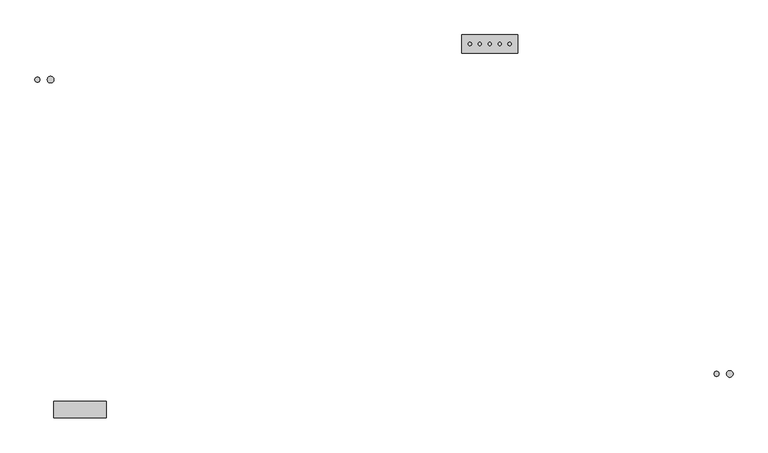
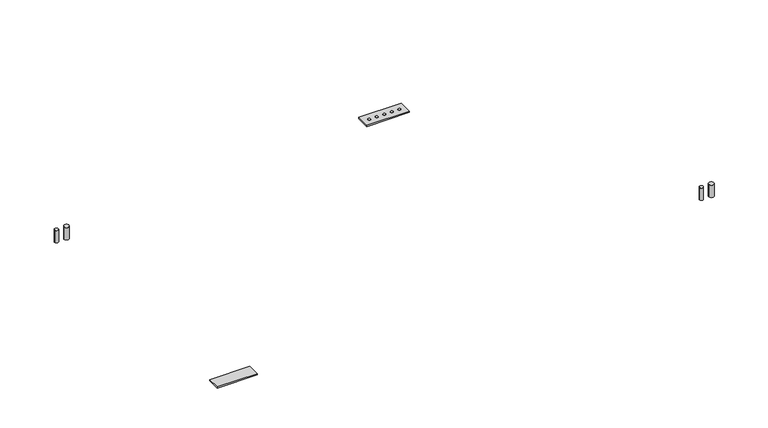
"""IFC4 building model written with IfcOpenShell, lengths in millimetres: proxy geometry."""

from ifc_helpers import new_model, si_unit, point, frame, frame_2d, origin, place, context, project, spatial, polyline, circle_curve, trimmed, segment, composite_curve, outline, extrude, source, transform, mapped, element, save


def mechanical_equipment_c56e0fdf(model_context):
    return source(origin(), model_context, "Body", "SweptSolid", [
        extrude(outline(composite_curve([segment(trimmed(circle_curve(frame_2d((242.6911047, 192.5203719)), 12.7), [point((229.9911047, 192.5203719))], [point((255.3911047, 192.5203719))], False, "CARTESIAN"), True, "CONTINUOUS"), segment(trimmed(circle_curve(frame_2d((242.6911047, 192.5203719)), 12.7), [point((255.3911047, 192.5203719))], [point((229.9911047, 192.5203719))], False, "CARTESIAN"), True, "CONTINUOUS")], self_intersect=False)), frame((0.0, 0.0, 61.2666507), z_axis=(0.0, 0.0, 1.0), x_axis=(1.0, 0.0, 0.0)), (0.0, 0.0, 1.0), 65.7333493),
        extrude(outline(composite_curve([segment(trimmed(circle_curve(frame_2d((191.8911047, 192.5203719)), 9.525), [point((182.3661047, 192.5203719))], [point((201.4161047, 192.5203719))], False, "CARTESIAN"), True, "CONTINUOUS"), segment(trimmed(circle_curve(frame_2d((191.8911047, 192.5203719)), 9.525), [point((201.4161047, 192.5203719))], [point((182.3661047, 192.5203719))], False, "CARTESIAN"), True, "CONTINUOUS")], self_intersect=False)), frame((0.0, 0.0, 61.2666507), z_axis=(0.0, 0.0, 1.0), x_axis=(1.0, 0.0, 0.0)), (0.0, 0.0, 1.0), 65.7333493),
        extrude(outline(composite_curve([segment(trimmed(circle_curve(frame_2d((1854.1027684, 329.7424825)), 6.35), [point((1847.7527684, 329.7424825))], [point((1860.4527684, 329.7424825))], False, "CARTESIAN"), True, "CONTINUOUS"), segment(trimmed(circle_curve(frame_2d((1854.1027684, 329.7424825)), 6.35), [point((1860.4527684, 329.7424825))], [point((1847.7527684, 329.7424825))], False, "CARTESIAN"), True, "CONTINUOUS")], self_intersect=False)), frame((0.0, 0.0, 44.45), z_axis=(0.0, 0.0, 1.0), x_axis=(1.0, 0.0, 0.0)), (0.0, 0.0, 1.0), 6.35),
        extrude(outline(composite_curve([segment(trimmed(circle_curve(frame_2d((1892.2027684, 329.7424825)), 6.35), [point((1885.8527684, 329.7424825))], [point((1898.5527684, 329.7424825))], False, "CARTESIAN"), True, "CONTINUOUS"), segment(trimmed(circle_curve(frame_2d((1892.2027684, 329.7424825)), 6.35), [point((1898.5527684, 329.7424825))], [point((1885.8527684, 329.7424825))], False, "CARTESIAN"), True, "CONTINUOUS")], self_intersect=False)), frame((0.0, 0.0, 44.45), z_axis=(0.0, 0.0, 1.0), x_axis=(1.0, 0.0, 0.0)), (0.0, 0.0, 1.0), 6.35),
        extrude(outline(composite_curve([segment(trimmed(circle_curve(frame_2d((1930.3027684, 329.7424825)), 6.35), [point((1923.9527684, 329.7424825))], [point((1936.6527684, 329.7424825))], False, "CARTESIAN"), True, "CONTINUOUS"), segment(trimmed(circle_curve(frame_2d((1930.3027684, 329.7424825)), 6.35), [point((1936.6527684, 329.7424825))], [point((1923.9527684, 329.7424825))], False, "CARTESIAN"), True, "CONTINUOUS")], self_intersect=False)), frame((0.0, 0.0, 44.45), z_axis=(0.0, 0.0, 1.0), x_axis=(1.0, 0.0, 0.0)), (0.0, 0.0, 1.0), 6.35),
        extrude(outline(composite_curve([segment(trimmed(circle_curve(frame_2d((1968.4027684, 329.7424825)), 6.35), [point((1962.0527684, 329.7424825))], [point((1974.7527684, 329.7424825))], False, "CARTESIAN"), True, "CONTINUOUS"), segment(trimmed(circle_curve(frame_2d((1968.4027684, 329.7424825)), 6.35), [point((1974.7527684, 329.7424825))], [point((1962.0527684, 329.7424825))], False, "CARTESIAN"), True, "CONTINUOUS")], self_intersect=False)), frame((0.0, 0.0, 44.45), z_axis=(0.0, 0.0, 1.0), x_axis=(1.0, 0.0, 0.0)), (0.0, 0.0, 1.0), 6.35),
        extrude(outline(composite_curve([segment(trimmed(circle_curve(frame_2d((2006.5027684, 329.7424825)), 6.35), [point((2000.1527684, 329.7424825))], [point((2012.8527684, 329.7424825))], False, "CARTESIAN"), True, "CONTINUOUS"), segment(trimmed(circle_curve(frame_2d((2006.5027684, 329.7424825)), 6.35), [point((2012.8527684, 329.7424825))], [point((2000.1527684, 329.7424825))], False, "CARTESIAN"), True, "CONTINUOUS")], self_intersect=False)), frame((0.0, 0.0, 44.45), z_axis=(0.0, 0.0, 1.0), x_axis=(1.0, 0.0, 0.0)), (0.0, 0.0, 1.0), 6.35),
        extrude(outline(polyline([(1822.3527684, 364.6674825), (2037.5379173, 364.6674825), (2037.5379173, 294.8174825), (1822.3527684, 294.8174825), (1822.3527684, 364.6674825)])), frame((0.0, 0.0, 44.45), z_axis=(0.0, 0.0, 1.0), x_axis=(1.0, 0.0, 0.0)), (0.0, 0.0, 1.0), 6.35),
        extrude(outline(polyline([(457.2, -1044.3321273), (457.2, -1108.244384), (254.0, -1108.244384), (254.0, -1044.3321273), (457.2, -1044.3321273)])), frame((0.0, 0.0, 44.45), z_axis=(0.0, 0.0, 1.0), x_axis=(1.0, 0.0, 0.0)), (0.0, 0.0, 1.0), 6.35),
        extrude(outline(composite_curve([segment(trimmed(circle_curve(frame_2d((2852.7375, -939.5571273)), 12.7), [point((2840.0375, -939.5571273))], [point((2865.4375, -939.5571273))], False, "CARTESIAN"), True, "CONTINUOUS"), segment(trimmed(circle_curve(frame_2d((2852.7375, -939.5571273)), 12.7), [point((2865.4375, -939.5571273))], [point((2840.0375, -939.5571273))], False, "CARTESIAN"), True, "CONTINUOUS")], self_intersect=False)), frame((0.0, 0.0, 61.2666507), z_axis=(0.0, 0.0, 1.0), x_axis=(1.0, 0.0, 0.0)), (0.0, 0.0, 1.0), 65.7333493),
        extrude(outline(composite_curve([segment(trimmed(circle_curve(frame_2d((2801.9375, -939.5571273)), 9.525), [point((2792.4125, -939.5571273))], [point((2811.4625, -939.5571273))], False, "CARTESIAN"), True, "CONTINUOUS"), segment(trimmed(circle_curve(frame_2d((2801.9375, -939.5571273)), 9.525), [point((2811.4625, -939.5571273))], [point((2792.4125, -939.5571273))], False, "CARTESIAN"), True, "CONTINUOUS")], self_intersect=False)), frame((0.0, 0.0, 61.2666507), z_axis=(0.0, 0.0, 1.0), x_axis=(1.0, 0.0, 0.0)), (0.0, 0.0, 1.0), 65.7333493),
    ])


if __name__ == "__main__":
    model = new_model("IFC4")
    model_context = context("Model", 3, world=origin())
    ifc_project = project(units=[si_unit("LENGTHUNIT", "METRE", prefix="MILLI")], contexts=[model_context])
    site = spatial("IfcSite", under=ifc_project)
    building = spatial("IfcBuilding", under=site)
    placement = place(None, origin())
    mechanical_equipment_shape = mechanical_equipment_c56e0fdf(model_context)
    element("IfcBuildingElementProxy", 1, Name="Mechanical Equipment", at=placement, inside=building, context=model_context, shape_type="MappedRepresentation", body=[
        mapped(mechanical_equipment_shape, transform((0.0, 0.0, 0.0), x_axis=(1.0, 0.0, 0.0), y_axis=(0.0, 1.0, 0.0), z_axis=(0.0, 0.0, 1.0))),
    ])
    save(model, "model.ifc")
